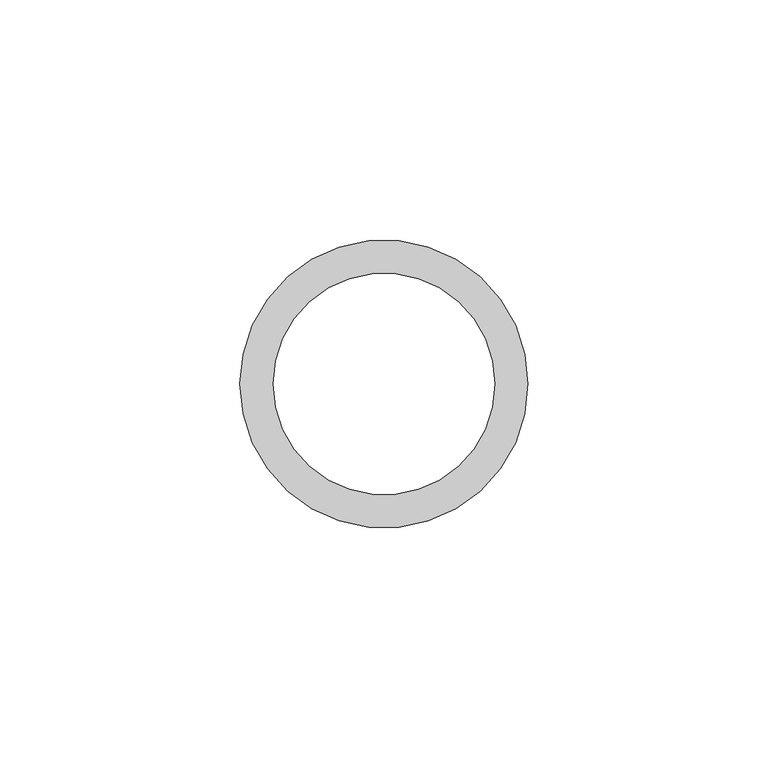
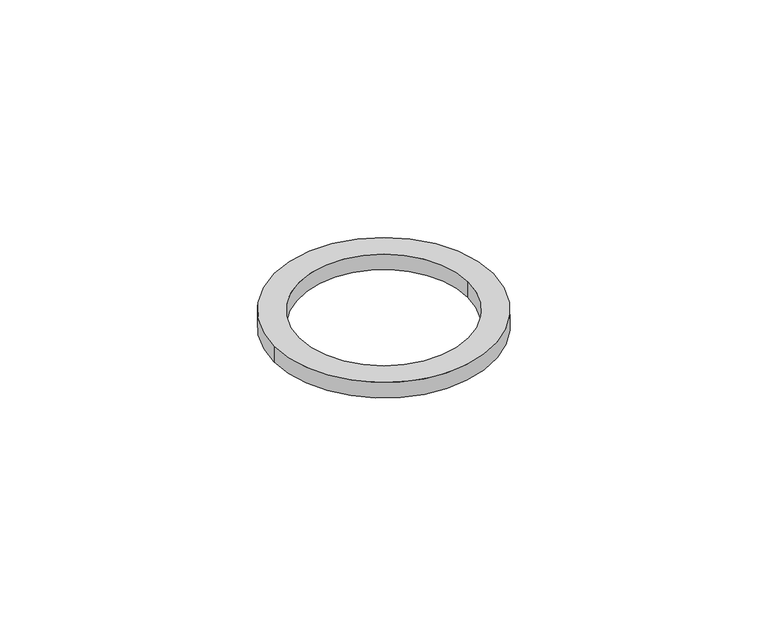
"""IFC4 building model written with IfcOpenShell, lengths in millimetres: proxy geometry."""

from ifc_helpers import new_model, si_unit, point, origin, origin_with_axes, origin_2d, place, context, project, spatial, circle_curve, trimmed, segment, composite_curve, outline, extrude, source, transform, mapped, element, save


def generic_models_9506aff5(model_context):
    return source(origin(), model_context, "Body", "SweptSolid", [
        extrude(outline(composite_curve([segment(trimmed(circle_curve(origin_2d(), 30.0), [point((30.0, 0.0))], [point((-30.0, 0.0))], False, "CARTESIAN"), True, "CONTINUOUS"), segment(trimmed(circle_curve(origin_2d(), 30.0), [point((-30.0, 0.0))], [point((30.0, 0.0))], False, "CARTESIAN"), True, "CONTINUOUS")], self_intersect=False), holes=[composite_curve([segment(trimmed(circle_curve(origin_2d(), 23.1), [point((-23.1, 0.0))], [point((23.1, 0.0))], True, "CARTESIAN"), True, "CONTINUOUS"), segment(trimmed(circle_curve(origin_2d(), 23.1), [point((23.1, 0.0))], [point((-23.1, 0.0))], True, "CARTESIAN"), True, "CONTINUOUS")], self_intersect=False)]), origin_with_axes(), (0.0, 0.0, 1.0), 4.5),
    ])


if __name__ == "__main__":
    model = new_model("IFC4")
    model_context = context("Model", 3, world=origin())
    ifc_project = project(units=[si_unit("LENGTHUNIT", "METRE", prefix="MILLI")], contexts=[model_context])
    site = spatial("IfcSite", under=ifc_project)
    building = spatial("IfcBuilding", under=site)
    placement = place(None, origin())
    generic_models_shape = generic_models_9506aff5(model_context)
    element("IfcBuildingElementProxy", 1, Name="Generic Models", at=placement, inside=building, context=model_context, shape_type="MappedRepresentation", body=[
        mapped(generic_models_shape, transform((0.0, 0.0, 0.0), x_axis=(1.0, 0.0, 0.0), y_axis=(0.0, 1.0, 0.0), z_axis=(0.0, 0.0, 1.0))),
    ])
    save(model, "model.ifc")
